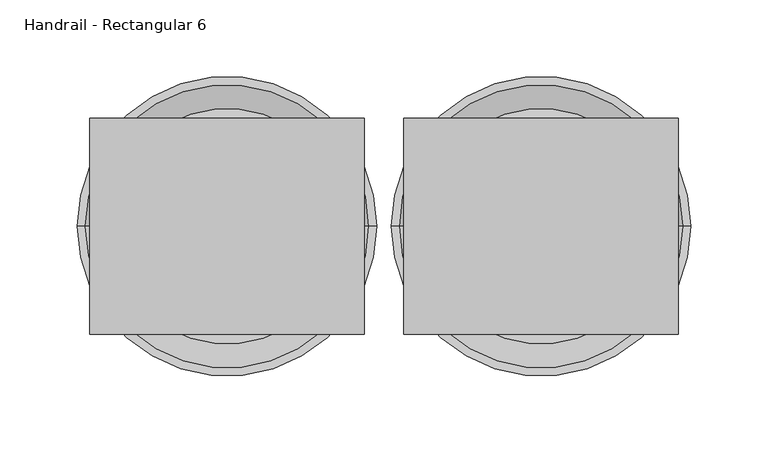
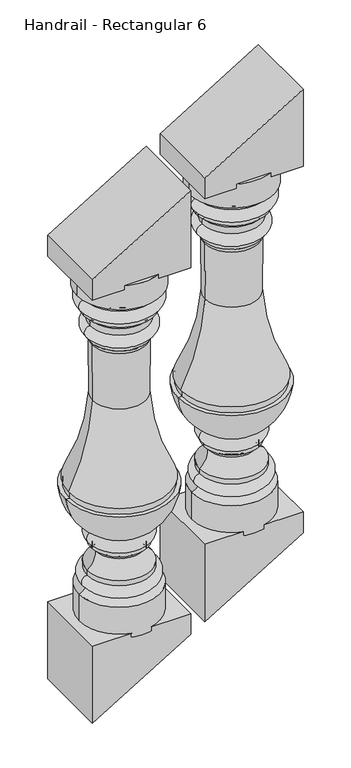
"""IFC4 building model written with IfcOpenShell, lengths in millimetres: railing geometry, Handrail - Rectangular 6."""

from ifc_helpers import new_model, si_unit, point, frame, origin, place, context, project, spatial, polyline, circle_curve, ellipse_curve, trimmed, outline, extrude, source, transform, mapped, element, save
from ifc_brep_helpers import plane_surface, cylinder_surface, revolved_surface, advanced_brep


def handrail_rectangular_6_6292f471(model_context):
    return source(origin(), model_context, "Body", "SolidModel", [
        advanced_brep(
        [(16652.1027138, 4021.0919589, 1596.7825782), (16804.5027138, 4021.0919589, 1596.7825782), (16728.3027138, 4021.0919589, 1596.7825782), (16652.1027138, 4021.0919589, 1551.0615139), (16804.5027138, 4021.0919589, 1551.0615139), (16664.2317502, 4021.0919589, 1539.8452691), (16792.3736774, 4021.0919589, 1539.8452691), (16664.4769912, 4021.0919589, 1516.8073135), (16792.1284364, 4021.0919589, 1516.8073135), (16664.4769912, 4021.0919589, 1508.7195163), (16792.1284364, 4021.0919589, 1508.7195163), (16673.3055103, 4021.0919589, 1500.1415551), (16783.2999173, 4021.0919589, 1500.1415551), (16675.6417878, 4021.0919589, 1485.8366302), (16780.9636397, 4021.0919589, 1485.8366302), (16675.6417878, 4021.0919589, 1463.7790157), (16780.9636397, 4021.0919589, 1463.7790157), (16675.6417878, 4021.0919589, 1455.4950782), (16780.9636397, 4021.0919589, 1455.4950782), (16679.514095, 4021.0919589, 1447.774917), (16777.0913325, 4021.0919589, 1447.774917), (16680.3235709, 4021.0919589, 1341.5961343), (16776.2818566, 4021.0919589, 1341.5961343), (16636.7642735, 4021.0919589, 1181.6513282), (16819.841154, 4021.0919589, 1181.6513282), (16638.866154, 4021.0919589, 1181.6513282), (16817.7392735, 4021.0919589, 1181.6513282), (16638.866154, 4021.0919589, 1168.9513282), (16817.7392735, 4021.0919589, 1168.9513282), (16631.4652138, 4021.0919589, 1168.9513282), (16825.1402138, 4021.0919589, 1168.9513282), (16677.3912706, 4021.0919589, 1091.5849237), (16779.2141569, 4021.0919589, 1091.5849237), (16677.5326309, 4021.0919589, 1068.2213467), (16779.0727966, 4021.0919589, 1068.2213467), (16677.5326309, 4021.0919589, 1060.7417142), (16779.0727966, 4021.0919589, 1060.7417142), (16685.484671, 4021.0919589, 1051.8596493), (16771.1207565, 4021.0919589, 1051.8596493), (16670.5161377, 4021.0919589, 1020.0712063), (16786.0892899, 4021.0919589, 1020.0712063), (16670.5161377, 4021.0919589, 1010.7216704), (16786.0892899, 4021.0919589, 1010.7216704), (16668.1772921, 4021.0919589, 989.2177245), (16788.4281354, 4021.0919589, 989.2177245), (16656.0924308, 4021.0919589, 979.4242687), (16800.5129967, 4021.0919589, 979.4242687), (16656.0924308, 4021.0919589, 920.5075782), (16800.5129967, 4021.0919589, 920.5075782), (16728.3027138, 4021.0919589, 920.5075782)],
        [
            (0, 1, circle_curve(frame((16728.3027138, 4021.0919589, 1596.7825782), z_axis=(0.0, 0.0, 1.0), x_axis=(1.0, 0.0, 0.0)), 76.2)),
            (1, 2),
            (2, 0),
            (1, 0, circle_curve(frame((16728.3027138, 4021.0919589, 1596.7825782), z_axis=(0.0, 0.0, 1.0), x_axis=(1.0, 0.0, 0.0)), 76.2)),
            (3, 4, circle_curve(frame((16728.3027138, 4021.0919589, 1551.0615139), z_axis=(0.0, 0.0, 1.0), x_axis=(1.0, 0.0, 0.0)), 76.2)),
            (4, 1),
            (0, 3),
            (4, 3, circle_curve(frame((16728.3027138, 4021.0919589, 1551.0615139), z_axis=(0.0, 0.0, 1.0), x_axis=(1.0, 0.0, 0.0)), 76.2)),
            (5, 6, circle_curve(frame((16728.3027138, 4021.0919589, 1539.8452691), z_axis=(0.0, 0.0, 1.0), x_axis=(1.0, 0.0, 0.0)), 64.0709636)),
            (6, 4, circle_curve(frame((16804.5162278, 4021.0919589, 1538.8807216), z_axis=(0.0, 1.0, 0.0), x_axis=(-1.0, 0.0, 0.0)), 12.1807998)),
            (3, 5, circle_curve(frame((16652.0891997, 4021.0919589, 1538.8807216), z_axis=(0.0, 1.0, 0.0), x_axis=(1.0, 0.0, 0.0)), 12.1807998)),
            (6, 5, circle_curve(frame((16728.3027138, 4021.0919589, 1539.8452691), z_axis=(0.0, 0.0, 1.0), x_axis=(1.0, 0.0, 0.0)), 64.0709636)),
            (7, 8, circle_curve(frame((16728.3027138, 4021.0919589, 1516.8073135), z_axis=(0.0, 0.0, 1.0), x_axis=(1.0, 0.0, 0.0)), 63.8257226)),
            (8, 6, circle_curve(frame((16789.962344, 4021.0919589, 1528.3506549), z_axis=(0.0, -1.0, 0.0), x_axis=(-1.0, 0.0, 0.0)), 11.7448152)),
            (5, 7, circle_curve(frame((16666.6430835, 4021.0919589, 1528.3506549), z_axis=(0.0, -1.0, 0.0), x_axis=(1.0, 0.0, 0.0)), 11.7448152)),
            (8, 7, circle_curve(frame((16728.3027138, 4021.0919589, 1516.8073135), z_axis=(0.0, 0.0, 1.0), x_axis=(1.0, 0.0, 0.0)), 63.8257226)),
            (9, 10, circle_curve(frame((16728.3027138, 4021.0919589, 1508.7195163), z_axis=(0.0, 0.0, 1.0), x_axis=(1.0, 0.0, 0.0)), 63.8257226)),
            (10, 8),
            (7, 9),
            (10, 9, circle_curve(frame((16728.3027138, 4021.0919589, 1508.7195163), z_axis=(0.0, 0.0, 1.0), x_axis=(1.0, 0.0, 0.0)), 63.8257226)),
            (11, 12, circle_curve(frame((16728.3027138, 4021.0919589, 1500.1415551), z_axis=(0.0, 0.0, 1.0), x_axis=(1.0, 0.0, 0.0)), 54.9972035)),
            (12, 10, circle_curve(frame((16796.5304457, 4021.0919589, 1495.3567481), z_axis=(0.0, 1.0, 0.0), x_axis=(-1.0, 0.0, 0.0)), 14.06916)),
            (9, 11, circle_curve(frame((16660.0749818, 4021.0919589, 1495.3567481), z_axis=(0.0, 1.0, 0.0), x_axis=(1.0, 0.0, 0.0)), 14.06916)),
            (12, 11, circle_curve(frame((16728.3027138, 4021.0919589, 1500.1415551), z_axis=(0.0, 0.0, 1.0), x_axis=(1.0, 0.0, 0.0)), 54.9972035)),
            (13, 14, circle_curve(frame((16728.3027138, 4021.0919589, 1485.8366302), z_axis=(0.0, 0.0, 1.0), x_axis=(1.0, 0.0, 0.0)), 52.660926)),
            (14, 12, circle_curve(frame((16809.9227722, 4021.0919589, 1488.450273), z_axis=(0.0, 1.0, 0.0), x_axis=(-1.0, 0.0, 0.0)), 29.0768376)),
            (11, 13, circle_curve(frame((16646.6826553, 4021.0919589, 1488.450273), z_axis=(0.0, 1.0, 0.0), x_axis=(1.0, 0.0, 0.0)), 29.0768376)),
            (14, 13, circle_curve(frame((16728.3027138, 4021.0919589, 1485.8366302), z_axis=(0.0, 0.0, 1.0), x_axis=(1.0, 0.0, 0.0)), 52.660926)),
            (15, 16, circle_curve(frame((16728.3027138, 4021.0919589, 1463.7790157), z_axis=(0.0, 0.0, 1.0), x_axis=(1.0, 0.0, 0.0)), 52.660926)),
            (16, 14, circle_curve(frame((16780.5094065, 4021.0919589, 1474.8078229), z_axis=(0.0, -1.0, 0.0), x_axis=(-1.0, 0.0, 0.0)), 11.0381573)),
            (13, 15, circle_curve(frame((16676.096021, 4021.0919589, 1474.8078229), z_axis=(0.0, -1.0, 0.0), x_axis=(1.0, 0.0, 0.0)), 11.0381573)),
            (16, 15, circle_curve(frame((16728.3027138, 4021.0919589, 1463.7790157), z_axis=(0.0, 0.0, 1.0), x_axis=(1.0, 0.0, 0.0)), 52.660926)),
            (17, 18, circle_curve(frame((16728.3027138, 4021.0919589, 1455.4950782), z_axis=(0.0, 0.0, 1.0), x_axis=(1.0, 0.0, 0.0)), 52.660926)),
            (18, 16),
            (15, 17),
            (18, 17, circle_curve(frame((16728.3027138, 4021.0919589, 1455.4950782), z_axis=(0.0, 0.0, 1.0), x_axis=(1.0, 0.0, 0.0)), 52.660926)),
            (19, 20, circle_curve(frame((16728.3027138, 4021.0919589, 1447.774917), z_axis=(0.0, 0.0, 1.0), x_axis=(1.0, 0.0, 0.0)), 48.7886187)),
            (20, 18, circle_curve(frame((16788.3302832, 4021.0919589, 1446.9688659), z_axis=(0.0, 1.0, 0.0), x_axis=(-1.0, 0.0, 0.0)), 11.2678184)),
            (17, 19, circle_curve(frame((16668.2751443, 4021.0919589, 1446.9688659), z_axis=(0.0, 1.0, 0.0), x_axis=(1.0, 0.0, 0.0)), 11.2678184)),
            (20, 19, circle_curve(frame((16728.3027138, 4021.0919589, 1447.774917), z_axis=(0.0, 0.0, 1.0), x_axis=(1.0, 0.0, 0.0)), 48.7886187)),
            (21, 22, circle_curve(frame((16728.3027138, 4021.0919589, 1341.5961343), z_axis=(0.0, 0.0, 1.0), x_axis=(1.0, 0.0, 0.0)), 47.9791428)),
            (22, 20, circle_curve(frame((17605.4224017, 4021.0919589, 1388.3674869), z_axis=(0.0, 1.0, 0.0), x_axis=(-1.0, 0.0, 0.0)), 830.4586702)),
            (19, 21, circle_curve(frame((15851.1830258, 4021.0919589, 1388.3674869), z_axis=(0.0, 1.0, 0.0), x_axis=(1.0, 0.0, 0.0)), 830.4586702)),
            (22, 21, circle_curve(frame((16728.3027138, 4021.0919589, 1341.5961343), z_axis=(0.0, 0.0, 1.0), x_axis=(1.0, 0.0, 0.0)), 47.9791428)),
            (23, 24, circle_curve(frame((16728.3027138, 4021.0919589, 1181.6513282), z_axis=(0.0, 0.0, 1.0), x_axis=(1.0, 0.0, 0.0)), 91.5384403)),
            (24, 22, circle_curve(frame((17174.1136369, 4021.0919589, 1364.0376017), z_axis=(0.0, 1.0, 0.0), x_axis=(-1.0, 0.0, 0.0)), 398.4642329)),
            (21, 23, circle_curve(frame((16282.4917906, 4021.0919589, 1364.0376017), z_axis=(0.0, 1.0, 0.0), x_axis=(1.0, 0.0, 0.0)), 398.4642329)),
            (24, 23, circle_curve(frame((16728.3027138, 4021.0919589, 1181.6513282), z_axis=(0.0, 0.0, 1.0), x_axis=(1.0, 0.0, 0.0)), 91.5384403)),
            (25, 26, circle_curve(frame((16728.3027138, 4021.0919589, 1181.6513282), z_axis=(0.0, 0.0, 1.0), x_axis=(1.0, 0.0, 0.0)), 89.4365597)),
            (26, 24),
            (23, 25),
            (26, 25, circle_curve(frame((16728.3027138, 4021.0919589, 1181.6513282), z_axis=(0.0, 0.0, 1.0), x_axis=(1.0, 0.0, 0.0)), 89.4365597)),
            (27, 28, circle_curve(frame((16728.3027138, 4021.0919589, 1168.9513282), z_axis=(0.0, 0.0, 1.0), x_axis=(1.0, 0.0, 0.0)), 89.4365597)),
            (28, 26),
            (25, 27),
            (28, 27, circle_curve(frame((16728.3027138, 4021.0919589, 1168.9513282), z_axis=(0.0, 0.0, 1.0), x_axis=(1.0, 0.0, 0.0)), 89.4365597)),
            (29, 30, circle_curve(frame((16728.3027138, 4021.0919589, 1168.9513282), z_axis=(0.0, 0.0, 1.0), x_axis=(1.0, 0.0, 0.0)), 96.8375)),
            (30, 28),
            (27, 29),
            (30, 29, circle_curve(frame((16728.3027138, 4021.0919589, 1168.9513282), z_axis=(0.0, 0.0, 1.0), x_axis=(1.0, 0.0, 0.0)), 96.8375)),
            (31, 32, circle_curve(frame((16728.3027138, 4021.0919589, 1091.5849237), z_axis=(0.0, 0.0, 1.0), x_axis=(1.0, 0.0, 0.0)), 50.9114432)),
            (32, 30, circle_curve(frame((16720.6610284, 4021.0919589, 1178.6575488), z_axis=(0.0, -1.0, 0.0), x_axis=(-1.0, 0.0, 0.0)), 104.9290756)),
            (29, 31, circle_curve(frame((16735.9443992, 4021.0919589, 1178.6575488), z_axis=(0.0, -1.0, 0.0), x_axis=(1.0, 0.0, 0.0)), 104.9290756)),
            (32, 31, circle_curve(frame((16728.3027138, 4021.0919589, 1091.5849237), z_axis=(0.0, 0.0, 1.0), x_axis=(1.0, 0.0, 0.0)), 50.9114432)),
            (33, 34, circle_curve(frame((16728.3027138, 4021.0919589, 1068.2213467), z_axis=(0.0, 0.0, 1.0), x_axis=(1.0, 0.0, 0.0)), 50.7700828)),
            (34, 32, circle_curve(frame((16773.8408029, 4021.0919589, 1079.9352188), z_axis=(0.0, -1.0, 0.0), x_axis=(-1.0, 0.0, 0.0)), 12.8292072)),
            (31, 33, circle_curve(frame((16682.7646246, 4021.0919589, 1079.9352188), z_axis=(0.0, -1.0, 0.0), x_axis=(1.0, 0.0, 0.0)), 12.8292072)),
            (34, 33, circle_curve(frame((16728.3027138, 4021.0919589, 1068.2213467), z_axis=(0.0, 0.0, 1.0), x_axis=(1.0, 0.0, 0.0)), 50.7700828)),
            (35, 36, circle_curve(frame((16728.3027138, 4021.0919589, 1060.7417142), z_axis=(0.0, 0.0, 1.0), x_axis=(1.0, 0.0, 0.0)), 50.7700828)),
            (36, 34),
            (33, 35),
            (36, 35, circle_curve(frame((16728.3027138, 4021.0919589, 1060.7417142), z_axis=(0.0, 0.0, 1.0), x_axis=(1.0, 0.0, 0.0)), 50.7700828)),
            (37, 38, circle_curve(frame((16728.3027138, 4021.0919589, 1051.8596493), z_axis=(0.0, 0.0, 1.0), x_axis=(1.0, 0.0, 0.0)), 42.8180427)),
            (38, 36, circle_curve(frame((16781.0181347, 4021.0919589, 1050.9993382), z_axis=(0.0, 1.0, 0.0), x_axis=(-1.0, 0.0, 0.0)), 9.9346983)),
            (35, 37, circle_curve(frame((16675.5872929, 4021.0919589, 1050.9993382), z_axis=(0.0, 1.0, 0.0), x_axis=(1.0, 0.0, 0.0)), 9.9346983)),
            (38, 37, circle_curve(frame((16728.3027138, 4021.0919589, 1051.8596493), z_axis=(0.0, 0.0, 1.0), x_axis=(1.0, 0.0, 0.0)), 42.8180427)),
            (39, 40, circle_curve(frame((16728.3027138, 4021.0919589, 1020.0712063), z_axis=(0.0, 0.0, 1.0), x_axis=(1.0, 0.0, 0.0)), 57.7865761)),
            (40, 38, circle_curve(frame((16805.9330751, 4021.0919589, 1048.8336534), z_axis=(0.0, 1.0, 0.0), x_axis=(-1.0, 0.0, 0.0)), 34.9435857)),
            (37, 39, circle_curve(frame((16650.6723524, 4021.0919589, 1048.8336534), z_axis=(0.0, 1.0, 0.0), x_axis=(1.0, 0.0, 0.0)), 34.9435857)),
            (40, 39, circle_curve(frame((16728.3027138, 4021.0919589, 1020.0712063), z_axis=(0.0, 0.0, 1.0), x_axis=(1.0, 0.0, 0.0)), 57.7865761)),
            (41, 42, circle_curve(frame((16728.3027138, 4021.0919589, 1010.7216704), z_axis=(0.0, 0.0, 1.0), x_axis=(1.0, 0.0, 0.0)), 57.7865761)),
            (42, 40),
            (39, 41),
            (42, 41, circle_curve(frame((16728.3027138, 4021.0919589, 1010.7216704), z_axis=(0.0, 0.0, 1.0), x_axis=(1.0, 0.0, 0.0)), 57.7865761)),
            (43, 44, circle_curve(frame((16728.3027138, 4021.0919589, 989.2177245), z_axis=(0.0, 0.0, 1.0), x_axis=(1.0, 0.0, 0.0)), 60.1254216)),
            (44, 42, circle_curve(frame((16785.475307, 4021.0919589, 999.7757279), z_axis=(0.0, -1.0, 0.0), x_axis=(-1.0, 0.0, 0.0)), 10.9631488)),
            (41, 43, circle_curve(frame((16671.1301206, 4021.0919589, 999.7757279), z_axis=(0.0, -1.0, 0.0), x_axis=(1.0, 0.0, 0.0)), 10.9631488)),
            (44, 43, circle_curve(frame((16728.3027138, 4021.0919589, 989.2177245), z_axis=(0.0, 0.0, 1.0), x_axis=(1.0, 0.0, 0.0)), 60.1254216)),
            (45, 46, circle_curve(frame((16728.3027138, 4021.0919589, 979.4242687), z_axis=(0.0, 0.0, 1.0), x_axis=(1.0, 0.0, 0.0)), 72.210283)),
            (46, 44, circle_curve(frame((16806.6438996, 4021.0919589, 999.3425632), z_axis=(0.0, 1.0, 0.0), x_axis=(-1.0, 0.0, 0.0)), 20.8404996)),
            (43, 45, circle_curve(frame((16649.9615279, 4021.0919589, 999.3425632), z_axis=(0.0, 1.0, 0.0), x_axis=(1.0, 0.0, 0.0)), 20.8404996)),
            (46, 45, circle_curve(frame((16728.3027138, 4021.0919589, 979.4242687), z_axis=(0.0, 0.0, 1.0), x_axis=(1.0, 0.0, 0.0)), 72.210283)),
            (47, 48, circle_curve(frame((16728.3027138, 4021.0919589, 920.5075782), z_axis=(0.0, 0.0, 1.0), x_axis=(1.0, 0.0, 0.0)), 72.210283)),
            (48, 46),
            (45, 47),
            (48, 47, circle_curve(frame((16728.3027138, 4021.0919589, 920.5075782), z_axis=(0.0, 0.0, 1.0), x_axis=(1.0, 0.0, 0.0)), 72.210283)),
            (49, 48),
            (47, 49),
        ],
        [
            plane_surface(frame((16728.3027138, 4021.0919589, 1596.7825782), z_axis=(0.0, 0.0, 1.0), x_axis=(1.0, 0.0, 0.0))),
            cylinder_surface(frame((16728.3027138, 4021.0919589, 1549.1575782), z_axis=(0.0, 0.0, -1.0), x_axis=(1.0, 0.0, 0.0)), 76.2),
            revolved_surface(trimmed(ellipse_curve(frame((16804.5162278, 4021.0919589, 1538.8807216), z_axis=(0.0, -1.0, 0.0), x_axis=(-1.0, 0.0, 0.0)), 12.1807998, 12.1807998), [point((16804.5027138, 4021.0919589, 1551.0615139))], [point((16792.3736774, 4021.0919589, 1539.8452691))], True, "CARTESIAN"), (16728.3027138, 4021.0919589, 1549.1575782), (0.0, 0.0, -1.0)),
            revolved_surface(trimmed(ellipse_curve(frame((16789.962344, 4021.0919589, 1528.3506549), z_axis=(0.0, 1.0, 0.0), x_axis=(-1.0, 0.0, 0.0)), 11.7448152, 11.7448152), [point((16792.3736774, 4021.0919589, 1539.8452691))], [point((16792.1284364, 4021.0919589, 1516.8073135))], True, "CARTESIAN"), (16728.3027138, 4021.0919589, 1549.1575782), (0.0, 0.0, -1.0)),
            cylinder_surface(frame((16728.3027138, 4021.0919589, 1549.1575782), z_axis=(0.0, 0.0, -1.0), x_axis=(1.0, 0.0, 0.0)), 63.8257226),
            revolved_surface(trimmed(ellipse_curve(frame((16796.5304457, 4021.0919589, 1495.3567481), z_axis=(0.0, -1.0, 0.0), x_axis=(-1.0, 0.0, 0.0)), 14.06916, 14.06916), [point((16792.1284364, 4021.0919589, 1508.7195163))], [point((16783.2999173, 4021.0919589, 1500.1415551))], True, "CARTESIAN"), (16728.3027138, 4021.0919589, 1549.1575782), (0.0, 0.0, -1.0)),
            revolved_surface(trimmed(ellipse_curve(frame((16809.9227722, 4021.0919589, 1488.450273), z_axis=(0.0, -1.0, 0.0), x_axis=(-1.0, 0.0, 0.0)), 29.0768376, 29.0768376), [point((16783.2999173, 4021.0919589, 1500.1415551))], [point((16780.9636397, 4021.0919589, 1485.8366302))], True, "CARTESIAN"), (16728.3027138, 4021.0919589, 1549.1575782), (0.0, 0.0, -1.0)),
            revolved_surface(trimmed(ellipse_curve(frame((16780.5094065, 4021.0919589, 1474.8078229), z_axis=(0.0, 1.0, 0.0), x_axis=(-1.0, 0.0, 0.0)), 11.0381573, 11.0381573), [point((16780.9636397, 4021.0919589, 1485.8366302))], [point((16780.9636397, 4021.0919589, 1463.7790157))], True, "CARTESIAN"), (16728.3027138, 4021.0919589, 1549.1575782), (0.0, 0.0, -1.0)),
            cylinder_surface(frame((16728.3027138, 4021.0919589, 1549.1575782), z_axis=(0.0, 0.0, -1.0), x_axis=(1.0, 0.0, 0.0)), 52.660926),
            revolved_surface(trimmed(ellipse_curve(frame((16788.3302832, 4021.0919589, 1446.9688659), z_axis=(0.0, -1.0, 0.0), x_axis=(-1.0, 0.0, 0.0)), 11.2678184, 11.2678184), [point((16780.9636397, 4021.0919589, 1455.4950782))], [point((16777.0913325, 4021.0919589, 1447.774917))], True, "CARTESIAN"), (16728.3027138, 4021.0919589, 1549.1575782), (0.0, 0.0, -1.0)),
            revolved_surface(trimmed(ellipse_curve(frame((17605.4224017, 4021.0919589, 1388.3674869), z_axis=(0.0, -1.0, 0.0), x_axis=(-1.0, 0.0, 0.0)), 830.4586702, 830.4586702), [point((16777.0913325, 4021.0919589, 1447.774917))], [point((16776.2818566, 4021.0919589, 1341.5961343))], True, "CARTESIAN"), (16728.3027138, 4021.0919589, 1549.1575782), (0.0, 0.0, -1.0)),
            revolved_surface(trimmed(ellipse_curve(frame((17174.1136369, 4021.0919589, 1364.0376017), z_axis=(0.0, -1.0, 0.0), x_axis=(-1.0, 0.0, 0.0)), 398.4642329, 398.4642329), [point((16776.2818566, 4021.0919589, 1341.5961343))], [point((16819.841154, 4021.0919589, 1181.6513282))], True, "CARTESIAN"), (16728.3027138, 4021.0919589, 1549.1575782), (0.0, 0.0, -1.0)),
            plane_surface(frame((16728.3027138, 4021.0919589, 1181.6513282), z_axis=(0.0, 0.0, -1.0), x_axis=(1.0, 0.0, 0.0))),
            cylinder_surface(frame((16728.3027138, 4021.0919589, 1549.1575782), z_axis=(0.0, 0.0, -1.0), x_axis=(1.0, 0.0, 0.0)), 89.4365597),
            plane_surface(frame((16728.3027138, 4021.0919589, 1168.9513282), z_axis=(0.0, 0.0, 1.0), x_axis=(1.0, 0.0, 0.0))),
            revolved_surface(trimmed(ellipse_curve(frame((16720.6610284, 4021.0919589, 1178.6575488), z_axis=(0.0, 1.0, 0.0), x_axis=(-1.0, 0.0, 0.0)), 104.9290756, 104.9290756), [point((16825.1402138, 4021.0919589, 1168.9513282))], [point((16779.2141569, 4021.0919589, 1091.5849237))], True, "CARTESIAN"), (16728.3027138, 4021.0919589, 1549.1575782), (0.0, 0.0, -1.0)),
            revolved_surface(trimmed(ellipse_curve(frame((16773.8408029, 4021.0919589, 1079.9352188), z_axis=(0.0, 1.0, 0.0), x_axis=(-1.0, 0.0, 0.0)), 12.8292072, 12.8292072), [point((16779.2141569, 4021.0919589, 1091.5849237))], [point((16779.0727966, 4021.0919589, 1068.2213467))], True, "CARTESIAN"), (16728.3027138, 4021.0919589, 1549.1575782), (0.0, 0.0, -1.0)),
            cylinder_surface(frame((16728.3027138, 4021.0919589, 1549.1575782), z_axis=(0.0, 0.0, -1.0), x_axis=(1.0, 0.0, 0.0)), 50.7700828),
            revolved_surface(trimmed(ellipse_curve(frame((16781.0181347, 4021.0919589, 1050.9993382), z_axis=(0.0, -1.0, 0.0), x_axis=(-1.0, 0.0, 0.0)), 9.9346983, 9.9346983), [point((16779.0727966, 4021.0919589, 1060.7417142))], [point((16771.1207565, 4021.0919589, 1051.8596493))], True, "CARTESIAN"), (16728.3027138, 4021.0919589, 1549.1575782), (0.0, 0.0, -1.0)),
            revolved_surface(trimmed(ellipse_curve(frame((16805.9330751, 4021.0919589, 1048.8336534), z_axis=(0.0, -1.0, 0.0), x_axis=(-1.0, 0.0, 0.0)), 34.9435857, 34.9435857), [point((16771.1207565, 4021.0919589, 1051.8596493))], [point((16786.0892899, 4021.0919589, 1020.0712063))], True, "CARTESIAN"), (16728.3027138, 4021.0919589, 1549.1575782), (0.0, 0.0, -1.0)),
            cylinder_surface(frame((16728.3027138, 4021.0919589, 1549.1575782), z_axis=(0.0, 0.0, -1.0), x_axis=(1.0, 0.0, 0.0)), 57.7865761),
            revolved_surface(trimmed(ellipse_curve(frame((16785.475307, 4021.0919589, 999.7757279), z_axis=(0.0, 1.0, 0.0), x_axis=(-1.0, 0.0, 0.0)), 10.9631488, 10.9631488), [point((16786.0892899, 4021.0919589, 1010.7216704))], [point((16788.4281354, 4021.0919589, 989.2177245))], True, "CARTESIAN"), (16728.3027138, 4021.0919589, 1549.1575782), (0.0, 0.0, -1.0)),
            revolved_surface(trimmed(ellipse_curve(frame((16806.6438996, 4021.0919589, 999.3425632), z_axis=(0.0, -1.0, 0.0), x_axis=(-1.0, 0.0, 0.0)), 20.8404996, 20.8404996), [point((16788.4281354, 4021.0919589, 989.2177245))], [point((16800.5129967, 4021.0919589, 979.4242687))], True, "CARTESIAN"), (16728.3027138, 4021.0919589, 1549.1575782), (0.0, 0.0, -1.0)),
            cylinder_surface(frame((16728.3027138, 4021.0919589, 1549.1575782), z_axis=(0.0, 0.0, -1.0), x_axis=(1.0, 0.0, 0.0)), 72.210283),
            plane_surface(frame((16728.3027138, 4021.0919589, 920.5075782), z_axis=(0.0, 0.0, -1.0), x_axis=(1.0, 0.0, 0.0))),
        ],
        [
            (0, [[1, 2, 3]]),
            (0, [[4, -3, -2]]),
            (1, [[5, 6, -1, 7]]),
            (1, [[8, -7, -4, -6]]),
            (2, [[9, 10, -5, 11]]),
            (2, [[12, -11, -8, -10]]),
            (3, [[13, 14, -9, 15]]),
            (3, [[16, -15, -12, -14]]),
            (4, [[17, 18, -13, 19]]),
            (4, [[20, -19, -16, -18]]),
            (5, [[21, 22, -17, 23]]),
            (5, [[24, -23, -20, -22]]),
            (6, [[25, 26, -21, 27]]),
            (6, [[28, -27, -24, -26]]),
            (7, [[29, 30, -25, 31]]),
            (7, [[32, -31, -28, -30]]),
            (8, [[33, 34, -29, 35]]),
            (8, [[36, -35, -32, -34]]),
            (9, [[37, 38, -33, 39]]),
            (9, [[40, -39, -36, -38]]),
            (10, [[41, 42, -37, 43]]),
            (10, [[44, -43, -40, -42]]),
            (11, [[45, 46, -41, 47]]),
            (11, [[48, -47, -44, -46]]),
            (12, [[49, 50, -45, 51]]),
            (12, [[52, -51, -48, -50]]),
            (13, [[53, 54, -49, 55]]),
            (13, [[56, -55, -52, -54]]),
            (14, [[57, 58, -53, 59]]),
            (14, [[60, -59, -56, -58]]),
            (15, [[61, 62, -57, 63]]),
            (15, [[64, -63, -60, -62]]),
            (16, [[65, 66, -61, 67]]),
            (16, [[68, -67, -64, -66]]),
            (17, [[69, 70, -65, 71]]),
            (17, [[72, -71, -68, -70]]),
            (18, [[73, 74, -69, 75]]),
            (18, [[76, -75, -72, -74]]),
            (19, [[77, 78, -73, 79]]),
            (19, [[80, -79, -76, -78]]),
            (20, [[81, 82, -77, 83]]),
            (20, [[84, -83, -80, -82]]),
            (21, [[85, 86, -81, 87]]),
            (21, [[88, -87, -84, -86]]),
            (22, [[89, 90, -85, 91]]),
            (22, [[92, -91, -88, -90]]),
            (23, [[93, 94, -89, 95]]),
            (23, [[96, -95, -92, -94]]),
            (24, [[97, -93, 98]]),
            (24, [[-98, -96, -97]]),
        ],
    ),
        extrude(outline(polyline([(928.3026515, 16817.2027138), (928.3026515, 16639.4027138), (780.7613636, 16639.4027138), (888.5189394, 16817.2027138), (928.3026515, 16817.2027138)])), frame((0.0, 3951.2419589, 0.0), z_axis=(0.0, 1.0, 0.0), x_axis=(0.0, 0.0, 1.0)), (0.0, 0.0, 1.0), 139.7),
        extrude(outline(polyline([(1588.9875048, 16639.4027138), (1588.9875048, 16817.2027138), (1736.5287927, 16817.2027138), (1628.7712169, 16639.4027138), (1588.9875048, 16639.4027138)])), frame((0.0, 3951.2419589, 0.0), z_axis=(0.0, 1.0, 0.0), x_axis=(0.0, 0.0, 1.0)), (0.0, 0.0, 1.0), 139.7),
        advanced_brep(
        [(16448.9027138, 4021.0919589, 1473.631063), (16601.3027138, 4021.0919589, 1473.631063), (16525.1027138, 4021.0919589, 1473.631063), (16448.9027138, 4021.0919589, 1427.9099988), (16601.3027138, 4021.0919589, 1427.9099988), (16461.0317502, 4021.0919589, 1416.6937539), (16589.1736774, 4021.0919589, 1416.6937539), (16461.2769912, 4021.0919589, 1393.6557984), (16588.9284364, 4021.0919589, 1393.6557984), (16461.2769912, 4021.0919589, 1385.5680012), (16588.9284364, 4021.0919589, 1385.5680012), (16470.1055103, 4021.0919589, 1376.99004), (16580.0999173, 4021.0919589, 1376.99004), (16472.4417878, 4021.0919589, 1362.685115), (16577.7636397, 4021.0919589, 1362.685115), (16472.4417878, 4021.0919589, 1340.6275005), (16577.7636397, 4021.0919589, 1340.6275005), (16472.4417878, 4021.0919589, 1332.343563), (16577.7636397, 4021.0919589, 1332.343563), (16476.314095, 4021.0919589, 1324.6234019), (16573.8913325, 4021.0919589, 1324.6234019), (16477.1235709, 4021.0919589, 1218.4446192), (16573.0818566, 4021.0919589, 1218.4446192), (16433.5642735, 4021.0919589, 1058.499813), (16616.641154, 4021.0919589, 1058.499813), (16435.666154, 4021.0919589, 1058.499813), (16614.5392735, 4021.0919589, 1058.499813), (16435.666154, 4021.0919589, 1045.799813), (16614.5392735, 4021.0919589, 1045.799813), (16428.2652138, 4021.0919589, 1045.799813), (16621.9402138, 4021.0919589, 1045.799813), (16474.1912706, 4021.0919589, 968.4334085), (16576.0141569, 4021.0919589, 968.4334085), (16474.3326309, 4021.0919589, 945.0698316), (16575.8727966, 4021.0919589, 945.0698316), (16474.3326309, 4021.0919589, 937.590199), (16575.8727966, 4021.0919589, 937.590199), (16482.284671, 4021.0919589, 928.7081342), (16567.9207565, 4021.0919589, 928.7081342), (16467.3161377, 4021.0919589, 896.9196911), (16582.8892899, 4021.0919589, 896.9196911), (16467.3161377, 4021.0919589, 887.5701553), (16582.8892899, 4021.0919589, 887.5701553), (16464.9772921, 4021.0919589, 866.0662093), (16585.2281354, 4021.0919589, 866.0662093), (16452.8924308, 4021.0919589, 856.2727536), (16597.3129967, 4021.0919589, 856.2727536), (16452.8924308, 4021.0919589, 797.356063), (16597.3129967, 4021.0919589, 797.356063), (16525.1027138, 4021.0919589, 797.356063)],
        [
            (0, 1, circle_curve(frame((16525.1027138, 4021.0919589, 1473.631063), z_axis=(0.0, 0.0, 1.0), x_axis=(1.0, 0.0, 0.0)), 76.2)),
            (1, 2),
            (2, 0),
            (1, 0, circle_curve(frame((16525.1027138, 4021.0919589, 1473.631063), z_axis=(0.0, 0.0, 1.0), x_axis=(1.0, 0.0, 0.0)), 76.2)),
            (3, 4, circle_curve(frame((16525.1027138, 4021.0919589, 1427.9099988), z_axis=(0.0, 0.0, 1.0), x_axis=(1.0, 0.0, 0.0)), 76.2)),
            (4, 1),
            (0, 3),
            (4, 3, circle_curve(frame((16525.1027138, 4021.0919589, 1427.9099988), z_axis=(0.0, 0.0, 1.0), x_axis=(1.0, 0.0, 0.0)), 76.2)),
            (5, 6, circle_curve(frame((16525.1027138, 4021.0919589, 1416.6937539), z_axis=(0.0, 0.0, 1.0), x_axis=(1.0, 0.0, 0.0)), 64.0709636)),
            (6, 4, circle_curve(frame((16601.3162278, 4021.0919589, 1415.7292064), z_axis=(0.0, 1.0, 0.0), x_axis=(-1.0, 0.0, 0.0)), 12.1807998)),
            (3, 5, circle_curve(frame((16448.8891997, 4021.0919589, 1415.7292064), z_axis=(0.0, 1.0, 0.0), x_axis=(1.0, 0.0, 0.0)), 12.1807998)),
            (6, 5, circle_curve(frame((16525.1027138, 4021.0919589, 1416.6937539), z_axis=(0.0, 0.0, 1.0), x_axis=(1.0, 0.0, 0.0)), 64.0709636)),
            (7, 8, circle_curve(frame((16525.1027138, 4021.0919589, 1393.6557984), z_axis=(0.0, 0.0, 1.0), x_axis=(1.0, 0.0, 0.0)), 63.8257226)),
            (8, 6, circle_curve(frame((16586.762344, 4021.0919589, 1405.1991397), z_axis=(0.0, -1.0, 0.0), x_axis=(-1.0, 0.0, 0.0)), 11.7448152)),
            (5, 7, circle_curve(frame((16463.4430835, 4021.0919589, 1405.1991397), z_axis=(0.0, -1.0, 0.0), x_axis=(1.0, 0.0, 0.0)), 11.7448152)),
            (8, 7, circle_curve(frame((16525.1027138, 4021.0919589, 1393.6557984), z_axis=(0.0, 0.0, 1.0), x_axis=(1.0, 0.0, 0.0)), 63.8257226)),
            (9, 10, circle_curve(frame((16525.1027138, 4021.0919589, 1385.5680012), z_axis=(0.0, 0.0, 1.0), x_axis=(1.0, 0.0, 0.0)), 63.8257226)),
            (10, 8),
            (7, 9),
            (10, 9, circle_curve(frame((16525.1027138, 4021.0919589, 1385.5680012), z_axis=(0.0, 0.0, 1.0), x_axis=(1.0, 0.0, 0.0)), 63.8257226)),
            (11, 12, circle_curve(frame((16525.1027138, 4021.0919589, 1376.99004), z_axis=(0.0, 0.0, 1.0), x_axis=(1.0, 0.0, 0.0)), 54.9972035)),
            (12, 10, circle_curve(frame((16593.3304457, 4021.0919589, 1372.2052329), z_axis=(0.0, 1.0, 0.0), x_axis=(-1.0, 0.0, 0.0)), 14.06916)),
            (9, 11, circle_curve(frame((16456.8749818, 4021.0919589, 1372.2052329), z_axis=(0.0, 1.0, 0.0), x_axis=(1.0, 0.0, 0.0)), 14.06916)),
            (12, 11, circle_curve(frame((16525.1027138, 4021.0919589, 1376.99004), z_axis=(0.0, 0.0, 1.0), x_axis=(1.0, 0.0, 0.0)), 54.9972035)),
            (13, 14, circle_curve(frame((16525.1027138, 4021.0919589, 1362.685115), z_axis=(0.0, 0.0, 1.0), x_axis=(1.0, 0.0, 0.0)), 52.660926)),
            (14, 12, circle_curve(frame((16606.7227722, 4021.0919589, 1365.2987578), z_axis=(0.0, 1.0, 0.0), x_axis=(-1.0, 0.0, 0.0)), 29.0768376)),
            (11, 13, circle_curve(frame((16443.4826553, 4021.0919589, 1365.2987578), z_axis=(0.0, 1.0, 0.0), x_axis=(1.0, 0.0, 0.0)), 29.0768376)),
            (14, 13, circle_curve(frame((16525.1027138, 4021.0919589, 1362.685115), z_axis=(0.0, 0.0, 1.0), x_axis=(1.0, 0.0, 0.0)), 52.660926)),
            (15, 16, circle_curve(frame((16525.1027138, 4021.0919589, 1340.6275005), z_axis=(0.0, 0.0, 1.0), x_axis=(1.0, 0.0, 0.0)), 52.660926)),
            (16, 14, circle_curve(frame((16577.3094065, 4021.0919589, 1351.6563078), z_axis=(0.0, -1.0, 0.0), x_axis=(-1.0, 0.0, 0.0)), 11.0381573)),
            (13, 15, circle_curve(frame((16472.896021, 4021.0919589, 1351.6563078), z_axis=(0.0, -1.0, 0.0), x_axis=(1.0, 0.0, 0.0)), 11.0381573)),
            (16, 15, circle_curve(frame((16525.1027138, 4021.0919589, 1340.6275005), z_axis=(0.0, 0.0, 1.0), x_axis=(1.0, 0.0, 0.0)), 52.660926)),
            (17, 18, circle_curve(frame((16525.1027138, 4021.0919589, 1332.343563), z_axis=(0.0, 0.0, 1.0), x_axis=(1.0, 0.0, 0.0)), 52.660926)),
            (18, 16),
            (15, 17),
            (18, 17, circle_curve(frame((16525.1027138, 4021.0919589, 1332.343563), z_axis=(0.0, 0.0, 1.0), x_axis=(1.0, 0.0, 0.0)), 52.660926)),
            (19, 20, circle_curve(frame((16525.1027138, 4021.0919589, 1324.6234019), z_axis=(0.0, 0.0, 1.0), x_axis=(1.0, 0.0, 0.0)), 48.7886187)),
            (20, 18, circle_curve(frame((16585.1302832, 4021.0919589, 1323.8173508), z_axis=(0.0, 1.0, 0.0), x_axis=(-1.0, 0.0, 0.0)), 11.2678184)),
            (17, 19, circle_curve(frame((16465.0751443, 4021.0919589, 1323.8173508), z_axis=(0.0, 1.0, 0.0), x_axis=(1.0, 0.0, 0.0)), 11.2678184)),
            (20, 19, circle_curve(frame((16525.1027138, 4021.0919589, 1324.6234019), z_axis=(0.0, 0.0, 1.0), x_axis=(1.0, 0.0, 0.0)), 48.7886187)),
            (21, 22, circle_curve(frame((16525.1027138, 4021.0919589, 1218.4446192), z_axis=(0.0, 0.0, 1.0), x_axis=(1.0, 0.0, 0.0)), 47.9791428)),
            (22, 20, circle_curve(frame((17402.2224017, 4021.0919589, 1265.2159717), z_axis=(0.0, 1.0, 0.0), x_axis=(-1.0, 0.0, 0.0)), 830.4586702)),
            (19, 21, circle_curve(frame((15647.9830258, 4021.0919589, 1265.2159717), z_axis=(0.0, 1.0, 0.0), x_axis=(1.0, 0.0, 0.0)), 830.4586702)),
            (22, 21, circle_curve(frame((16525.1027138, 4021.0919589, 1218.4446192), z_axis=(0.0, 0.0, 1.0), x_axis=(1.0, 0.0, 0.0)), 47.9791428)),
            (23, 24, circle_curve(frame((16525.1027138, 4021.0919589, 1058.499813), z_axis=(0.0, 0.0, 1.0), x_axis=(1.0, 0.0, 0.0)), 91.5384403)),
            (24, 22, circle_curve(frame((16970.9136369, 4021.0919589, 1240.8860865), z_axis=(0.0, 1.0, 0.0), x_axis=(-1.0, 0.0, 0.0)), 398.4642329)),
            (21, 23, circle_curve(frame((16079.2917906, 4021.0919589, 1240.8860865), z_axis=(0.0, 1.0, 0.0), x_axis=(1.0, 0.0, 0.0)), 398.4642329)),
            (24, 23, circle_curve(frame((16525.1027138, 4021.0919589, 1058.499813), z_axis=(0.0, 0.0, 1.0), x_axis=(1.0, 0.0, 0.0)), 91.5384403)),
            (25, 26, circle_curve(frame((16525.1027138, 4021.0919589, 1058.499813), z_axis=(0.0, 0.0, 1.0), x_axis=(1.0, 0.0, 0.0)), 89.4365597)),
            (26, 24),
            (23, 25),
            (26, 25, circle_curve(frame((16525.1027138, 4021.0919589, 1058.499813), z_axis=(0.0, 0.0, 1.0), x_axis=(1.0, 0.0, 0.0)), 89.4365597)),
            (27, 28, circle_curve(frame((16525.1027138, 4021.0919589, 1045.799813), z_axis=(0.0, 0.0, 1.0), x_axis=(1.0, 0.0, 0.0)), 89.4365597)),
            (28, 26),
            (25, 27),
            (28, 27, circle_curve(frame((16525.1027138, 4021.0919589, 1045.799813), z_axis=(0.0, 0.0, 1.0), x_axis=(1.0, 0.0, 0.0)), 89.4365597)),
            (29, 30, circle_curve(frame((16525.1027138, 4021.0919589, 1045.799813), z_axis=(0.0, 0.0, 1.0), x_axis=(1.0, 0.0, 0.0)), 96.8375)),
            (30, 28),
            (27, 29),
            (30, 29, circle_curve(frame((16525.1027138, 4021.0919589, 1045.799813), z_axis=(0.0, 0.0, 1.0), x_axis=(1.0, 0.0, 0.0)), 96.8375)),
            (31, 32, circle_curve(frame((16525.1027138, 4021.0919589, 968.4334085), z_axis=(0.0, 0.0, 1.0), x_axis=(1.0, 0.0, 0.0)), 50.9114432)),
            (32, 30, circle_curve(frame((16517.4610284, 4021.0919589, 1055.5060336), z_axis=(0.0, -1.0, 0.0), x_axis=(-1.0, 0.0, 0.0)), 104.9290756)),
            (29, 31, circle_curve(frame((16532.7443992, 4021.0919589, 1055.5060336), z_axis=(0.0, -1.0, 0.0), x_axis=(1.0, 0.0, 0.0)), 104.9290756)),
            (32, 31, circle_curve(frame((16525.1027138, 4021.0919589, 968.4334085), z_axis=(0.0, 0.0, 1.0), x_axis=(1.0, 0.0, 0.0)), 50.9114432)),
            (33, 34, circle_curve(frame((16525.1027138, 4021.0919589, 945.0698316), z_axis=(0.0, 0.0, 1.0), x_axis=(1.0, 0.0, 0.0)), 50.7700828)),
            (34, 32, circle_curve(frame((16570.6408029, 4021.0919589, 956.7837036), z_axis=(0.0, -1.0, 0.0), x_axis=(-1.0, 0.0, 0.0)), 12.8292072)),
            (31, 33, circle_curve(frame((16479.5646246, 4021.0919589, 956.7837036), z_axis=(0.0, -1.0, 0.0), x_axis=(1.0, 0.0, 0.0)), 12.8292072)),
            (34, 33, circle_curve(frame((16525.1027138, 4021.0919589, 945.0698316), z_axis=(0.0, 0.0, 1.0), x_axis=(1.0, 0.0, 0.0)), 50.7700828)),
            (35, 36, circle_curve(frame((16525.1027138, 4021.0919589, 937.590199), z_axis=(0.0, 0.0, 1.0), x_axis=(1.0, 0.0, 0.0)), 50.7700828)),
            (36, 34),
            (33, 35),
            (36, 35, circle_curve(frame((16525.1027138, 4021.0919589, 937.590199), z_axis=(0.0, 0.0, 1.0), x_axis=(1.0, 0.0, 0.0)), 50.7700828)),
            (37, 38, circle_curve(frame((16525.1027138, 4021.0919589, 928.7081342), z_axis=(0.0, 0.0, 1.0), x_axis=(1.0, 0.0, 0.0)), 42.8180427)),
            (38, 36, circle_curve(frame((16577.8181347, 4021.0919589, 927.847823), z_axis=(0.0, 1.0, 0.0), x_axis=(-1.0, 0.0, 0.0)), 9.9346983)),
            (35, 37, circle_curve(frame((16472.3872929, 4021.0919589, 927.847823), z_axis=(0.0, 1.0, 0.0), x_axis=(1.0, 0.0, 0.0)), 9.9346983)),
            (38, 37, circle_curve(frame((16525.1027138, 4021.0919589, 928.7081342), z_axis=(0.0, 0.0, 1.0), x_axis=(1.0, 0.0, 0.0)), 42.8180427)),
            (39, 40, circle_curve(frame((16525.1027138, 4021.0919589, 896.9196911), z_axis=(0.0, 0.0, 1.0), x_axis=(1.0, 0.0, 0.0)), 57.7865761)),
            (40, 38, circle_curve(frame((16602.7330751, 4021.0919589, 925.6821383), z_axis=(0.0, 1.0, 0.0), x_axis=(-1.0, 0.0, 0.0)), 34.9435857)),
            (37, 39, circle_curve(frame((16447.4723524, 4021.0919589, 925.6821383), z_axis=(0.0, 1.0, 0.0), x_axis=(1.0, 0.0, 0.0)), 34.9435857)),
            (40, 39, circle_curve(frame((16525.1027138, 4021.0919589, 896.9196911), z_axis=(0.0, 0.0, 1.0), x_axis=(1.0, 0.0, 0.0)), 57.7865761)),
            (41, 42, circle_curve(frame((16525.1027138, 4021.0919589, 887.5701553), z_axis=(0.0, 0.0, 1.0), x_axis=(1.0, 0.0, 0.0)), 57.7865761)),
            (42, 40),
            (39, 41),
            (42, 41, circle_curve(frame((16525.1027138, 4021.0919589, 887.5701553), z_axis=(0.0, 0.0, 1.0), x_axis=(1.0, 0.0, 0.0)), 57.7865761)),
            (43, 44, circle_curve(frame((16525.1027138, 4021.0919589, 866.0662093), z_axis=(0.0, 0.0, 1.0), x_axis=(1.0, 0.0, 0.0)), 60.1254216)),
            (44, 42, circle_curve(frame((16582.275307, 4021.0919589, 876.6242128), z_axis=(0.0, -1.0, 0.0), x_axis=(-1.0, 0.0, 0.0)), 10.9631488)),
            (41, 43, circle_curve(frame((16467.9301206, 4021.0919589, 876.6242128), z_axis=(0.0, -1.0, 0.0), x_axis=(1.0, 0.0, 0.0)), 10.9631488)),
            (44, 43, circle_curve(frame((16525.1027138, 4021.0919589, 866.0662093), z_axis=(0.0, 0.0, 1.0), x_axis=(1.0, 0.0, 0.0)), 60.1254216)),
            (45, 46, circle_curve(frame((16525.1027138, 4021.0919589, 856.2727536), z_axis=(0.0, 0.0, 1.0), x_axis=(1.0, 0.0, 0.0)), 72.210283)),
            (46, 44, circle_curve(frame((16603.4438996, 4021.0919589, 876.191048), z_axis=(0.0, 1.0, 0.0), x_axis=(-1.0, 0.0, 0.0)), 20.8404996)),
            (43, 45, circle_curve(frame((16446.7615279, 4021.0919589, 876.191048), z_axis=(0.0, 1.0, 0.0), x_axis=(1.0, 0.0, 0.0)), 20.8404996)),
            (46, 45, circle_curve(frame((16525.1027138, 4021.0919589, 856.2727536), z_axis=(0.0, 0.0, 1.0), x_axis=(1.0, 0.0, 0.0)), 72.210283)),
            (47, 48, circle_curve(frame((16525.1027138, 4021.0919589, 797.356063), z_axis=(0.0, 0.0, 1.0), x_axis=(1.0, 0.0, 0.0)), 72.210283)),
            (48, 46),
            (45, 47),
            (48, 47, circle_curve(frame((16525.1027138, 4021.0919589, 797.356063), z_axis=(0.0, 0.0, 1.0), x_axis=(1.0, 0.0, 0.0)), 72.210283)),
            (49, 48),
            (47, 49),
        ],
        [
            plane_surface(frame((16525.1027138, 4021.0919589, 1473.631063), z_axis=(0.0, 0.0, 1.0), x_axis=(1.0, 0.0, 0.0))),
            cylinder_surface(frame((16525.1027138, 4021.0919589, 1426.006063), z_axis=(0.0, 0.0, -1.0), x_axis=(1.0, 0.0, 0.0)), 76.2),
            revolved_surface(trimmed(ellipse_curve(frame((16601.3162278, 4021.0919589, 1415.7292064), z_axis=(0.0, -1.0, 0.0), x_axis=(-1.0, 0.0, 0.0)), 12.1807998, 12.1807998), [point((16601.3027138, 4021.0919589, 1427.9099988))], [point((16589.1736774, 4021.0919589, 1416.6937539))], True, "CARTESIAN"), (16525.1027138, 4021.0919589, 1426.006063), (0.0, 0.0, -1.0)),
            revolved_surface(trimmed(ellipse_curve(frame((16586.762344, 4021.0919589, 1405.1991397), z_axis=(0.0, 1.0, 0.0), x_axis=(-1.0, 0.0, 0.0)), 11.7448152, 11.7448152), [point((16589.1736774, 4021.0919589, 1416.6937539))], [point((16588.9284364, 4021.0919589, 1393.6557984))], True, "CARTESIAN"), (16525.1027138, 4021.0919589, 1426.006063), (0.0, 0.0, -1.0)),
            cylinder_surface(frame((16525.1027138, 4021.0919589, 1426.006063), z_axis=(0.0, 0.0, -1.0), x_axis=(1.0, 0.0, 0.0)), 63.8257226),
            revolved_surface(trimmed(ellipse_curve(frame((16593.3304457, 4021.0919589, 1372.2052329), z_axis=(0.0, -1.0, 0.0), x_axis=(-1.0, 0.0, 0.0)), 14.06916, 14.06916), [point((16588.9284364, 4021.0919589, 1385.5680012))], [point((16580.0999173, 4021.0919589, 1376.99004))], True, "CARTESIAN"), (16525.1027138, 4021.0919589, 1426.006063), (0.0, 0.0, -1.0)),
            revolved_surface(trimmed(ellipse_curve(frame((16606.7227722, 4021.0919589, 1365.2987578), z_axis=(0.0, -1.0, 0.0), x_axis=(-1.0, 0.0, 0.0)), 29.0768376, 29.0768376), [point((16580.0999173, 4021.0919589, 1376.99004))], [point((16577.7636397, 4021.0919589, 1362.685115))], True, "CARTESIAN"), (16525.1027138, 4021.0919589, 1426.006063), (0.0, 0.0, -1.0)),
            revolved_surface(trimmed(ellipse_curve(frame((16577.3094065, 4021.0919589, 1351.6563078), z_axis=(0.0, 1.0, 0.0), x_axis=(-1.0, 0.0, 0.0)), 11.0381573, 11.0381573), [point((16577.7636397, 4021.0919589, 1362.685115))], [point((16577.7636397, 4021.0919589, 1340.6275005))], True, "CARTESIAN"), (16525.1027138, 4021.0919589, 1426.006063), (0.0, 0.0, -1.0)),
            cylinder_surface(frame((16525.1027138, 4021.0919589, 1426.006063), z_axis=(0.0, 0.0, -1.0), x_axis=(1.0, 0.0, 0.0)), 52.660926),
            revolved_surface(trimmed(ellipse_curve(frame((16585.1302832, 4021.0919589, 1323.8173508), z_axis=(0.0, -1.0, 0.0), x_axis=(-1.0, 0.0, 0.0)), 11.2678184, 11.2678184), [point((16577.7636397, 4021.0919589, 1332.343563))], [point((16573.8913325, 4021.0919589, 1324.6234019))], True, "CARTESIAN"), (16525.1027138, 4021.0919589, 1426.006063), (0.0, 0.0, -1.0)),
            revolved_surface(trimmed(ellipse_curve(frame((17402.2224017, 4021.0919589, 1265.2159717), z_axis=(0.0, -1.0, 0.0), x_axis=(-1.0, 0.0, 0.0)), 830.4586702, 830.4586702), [point((16573.8913325, 4021.0919589, 1324.6234019))], [point((16573.0818566, 4021.0919589, 1218.4446192))], True, "CARTESIAN"), (16525.1027138, 4021.0919589, 1426.006063), (0.0, 0.0, -1.0)),
            revolved_surface(trimmed(ellipse_curve(frame((16970.9136369, 4021.0919589, 1240.8860865), z_axis=(0.0, -1.0, 0.0), x_axis=(-1.0, 0.0, 0.0)), 398.4642329, 398.4642329), [point((16573.0818566, 4021.0919589, 1218.4446192))], [point((16616.641154, 4021.0919589, 1058.499813))], True, "CARTESIAN"), (16525.1027138, 4021.0919589, 1426.006063), (0.0, 0.0, -1.0)),
            plane_surface(frame((16525.1027138, 4021.0919589, 1058.499813), z_axis=(0.0, 0.0, -1.0), x_axis=(1.0, 0.0, 0.0))),
            cylinder_surface(frame((16525.1027138, 4021.0919589, 1426.006063), z_axis=(0.0, 0.0, -1.0), x_axis=(1.0, 0.0, 0.0)), 89.4365597),
            plane_surface(frame((16525.1027138, 4021.0919589, 1045.799813), z_axis=(0.0, 0.0, 1.0), x_axis=(1.0, 0.0, 0.0))),
            revolved_surface(trimmed(ellipse_curve(frame((16517.4610284, 4021.0919589, 1055.5060336), z_axis=(0.0, 1.0, 0.0), x_axis=(-1.0, 0.0, 0.0)), 104.9290756, 104.9290756), [point((16621.9402138, 4021.0919589, 1045.799813))], [point((16576.0141569, 4021.0919589, 968.4334085))], True, "CARTESIAN"), (16525.1027138, 4021.0919589, 1426.006063), (0.0, 0.0, -1.0)),
            revolved_surface(trimmed(ellipse_curve(frame((16570.6408029, 4021.0919589, 956.7837036), z_axis=(0.0, 1.0, 0.0), x_axis=(-1.0, 0.0, 0.0)), 12.8292072, 12.8292072), [point((16576.0141569, 4021.0919589, 968.4334085))], [point((16575.8727966, 4021.0919589, 945.0698316))], True, "CARTESIAN"), (16525.1027138, 4021.0919589, 1426.006063), (0.0, 0.0, -1.0)),
            cylinder_surface(frame((16525.1027138, 4021.0919589, 1426.006063), z_axis=(0.0, 0.0, -1.0), x_axis=(1.0, 0.0, 0.0)), 50.7700828),
            revolved_surface(trimmed(ellipse_curve(frame((16577.8181347, 4021.0919589, 927.847823), z_axis=(0.0, -1.0, 0.0), x_axis=(-1.0, 0.0, 0.0)), 9.9346983, 9.9346983), [point((16575.8727966, 4021.0919589, 937.590199))], [point((16567.9207565, 4021.0919589, 928.7081342))], True, "CARTESIAN"), (16525.1027138, 4021.0919589, 1426.006063), (0.0, 0.0, -1.0)),
            revolved_surface(trimmed(ellipse_curve(frame((16602.7330751, 4021.0919589, 925.6821383), z_axis=(0.0, -1.0, 0.0), x_axis=(-1.0, 0.0, 0.0)), 34.9435857, 34.9435857), [point((16567.9207565, 4021.0919589, 928.7081342))], [point((16582.8892899, 4021.0919589, 896.9196911))], True, "CARTESIAN"), (16525.1027138, 4021.0919589, 1426.006063), (0.0, 0.0, -1.0)),
            cylinder_surface(frame((16525.1027138, 4021.0919589, 1426.006063), z_axis=(0.0, 0.0, -1.0), x_axis=(1.0, 0.0, 0.0)), 57.7865761),
            revolved_surface(trimmed(ellipse_curve(frame((16582.275307, 4021.0919589, 876.6242128), z_axis=(0.0, 1.0, 0.0), x_axis=(-1.0, 0.0, 0.0)), 10.9631488, 10.9631488), [point((16582.8892899, 4021.0919589, 887.5701553))], [point((16585.2281354, 4021.0919589, 866.0662093))], True, "CARTESIAN"), (16525.1027138, 4021.0919589, 1426.006063), (0.0, 0.0, -1.0)),
            revolved_surface(trimmed(ellipse_curve(frame((16603.4438996, 4021.0919589, 876.191048), z_axis=(0.0, -1.0, 0.0), x_axis=(-1.0, 0.0, 0.0)), 20.8404996, 20.8404996), [point((16585.2281354, 4021.0919589, 866.0662093))], [point((16597.3129967, 4021.0919589, 856.2727536))], True, "CARTESIAN"), (16525.1027138, 4021.0919589, 1426.006063), (0.0, 0.0, -1.0)),
            cylinder_surface(frame((16525.1027138, 4021.0919589, 1426.006063), z_axis=(0.0, 0.0, -1.0), x_axis=(1.0, 0.0, 0.0)), 72.210283),
            plane_surface(frame((16525.1027138, 4021.0919589, 797.356063), z_axis=(0.0, 0.0, -1.0), x_axis=(1.0, 0.0, 0.0))),
        ],
        [
            (0, [[1, 2, 3]]),
            (0, [[4, -3, -2]]),
            (1, [[5, 6, -1, 7]]),
            (1, [[8, -7, -4, -6]]),
            (2, [[9, 10, -5, 11]]),
            (2, [[12, -11, -8, -10]]),
            (3, [[13, 14, -9, 15]]),
            (3, [[16, -15, -12, -14]]),
            (4, [[17, 18, -13, 19]]),
            (4, [[20, -19, -16, -18]]),
            (5, [[21, 22, -17, 23]]),
            (5, [[24, -23, -20, -22]]),
            (6, [[25, 26, -21, 27]]),
            (6, [[28, -27, -24, -26]]),
            (7, [[29, 30, -25, 31]]),
            (7, [[32, -31, -28, -30]]),
            (8, [[33, 34, -29, 35]]),
            (8, [[36, -35, -32, -34]]),
            (9, [[37, 38, -33, 39]]),
            (9, [[40, -39, -36, -38]]),
            (10, [[41, 42, -37, 43]]),
            (10, [[44, -43, -40, -42]]),
            (11, [[45, 46, -41, 47]]),
            (11, [[48, -47, -44, -46]]),
            (12, [[49, 50, -45, 51]]),
            (12, [[52, -51, -48, -50]]),
            (13, [[53, 54, -49, 55]]),
            (13, [[56, -55, -52, -54]]),
            (14, [[57, 58, -53, 59]]),
            (14, [[60, -59, -56, -58]]),
            (15, [[61, 62, -57, 63]]),
            (15, [[64, -63, -60, -62]]),
            (16, [[65, 66, -61, 67]]),
            (16, [[68, -67, -64, -66]]),
            (17, [[69, 70, -65, 71]]),
            (17, [[72, -71, -68, -70]]),
            (18, [[73, 74, -69, 75]]),
            (18, [[76, -75, -72, -74]]),
            (19, [[77, 78, -73, 79]]),
            (19, [[80, -79, -76, -78]]),
            (20, [[81, 82, -77, 83]]),
            (20, [[84, -83, -80, -82]]),
            (21, [[85, 86, -81, 87]]),
            (21, [[88, -87, -84, -86]]),
            (22, [[89, 90, -85, 91]]),
            (22, [[92, -91, -88, -90]]),
            (23, [[93, 94, -89, 95]]),
            (23, [[96, -95, -92, -94]]),
            (24, [[97, -93, 98]]),
            (24, [[-98, -96, -97]]),
        ],
    ),
        extrude(outline(polyline([(805.1511364, 16614.0027138), (805.1511364, 16436.2027138), (657.6098485, 16436.2027138), (765.3674242, 16614.0027138), (805.1511364, 16614.0027138)])), frame((0.0, 3951.2419589, 0.0), z_axis=(0.0, 1.0, 0.0), x_axis=(0.0, 0.0, 1.0)), (0.0, 0.0, 1.0), 139.7),
        extrude(outline(polyline([(1465.8359897, 16436.2027138), (1465.8359897, 16614.0027138), (1613.3772775, 16614.0027138), (1505.6197018, 16436.2027138), (1465.8359897, 16436.2027138)])), frame((0.0, 3951.2419589, 0.0), z_axis=(0.0, 1.0, 0.0), x_axis=(0.0, 0.0, 1.0)), (0.0, 0.0, 1.0), 139.7),
    ])


if __name__ == "__main__":
    model = new_model("IFC4")
    model_context = context("Model", 3, world=origin())
    ifc_project = project(units=[si_unit("LENGTHUNIT", "METRE", prefix="MILLI")], contexts=[model_context])
    site = spatial("IfcSite", under=ifc_project)
    building = spatial("IfcBuilding", under=site)
    placement = place(None, origin())
    handrail_rectangular_6_shape = handrail_rectangular_6_6292f471(model_context)
    element("IfcRailing", 1, ObjectType="Handrail - Rectangular 6", at=placement, inside=building, context=model_context, shape_type="MappedRepresentation", body=[
        mapped(handrail_rectangular_6_shape, transform((0.0, 0.0, 0.0), x_axis=(1.0, 0.0, 0.0), y_axis=(0.0, 1.0, 0.0), z_axis=(0.0, 0.0, 1.0))),
    ])
    save(model, "model.ifc")
